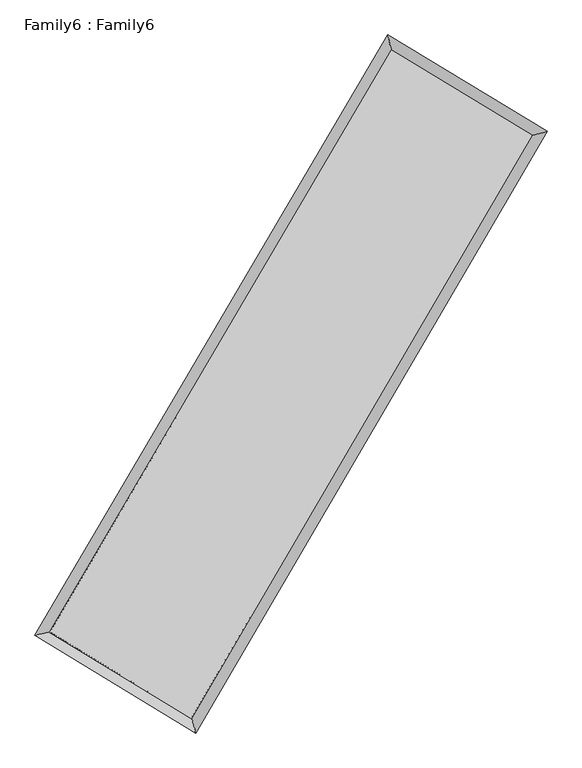
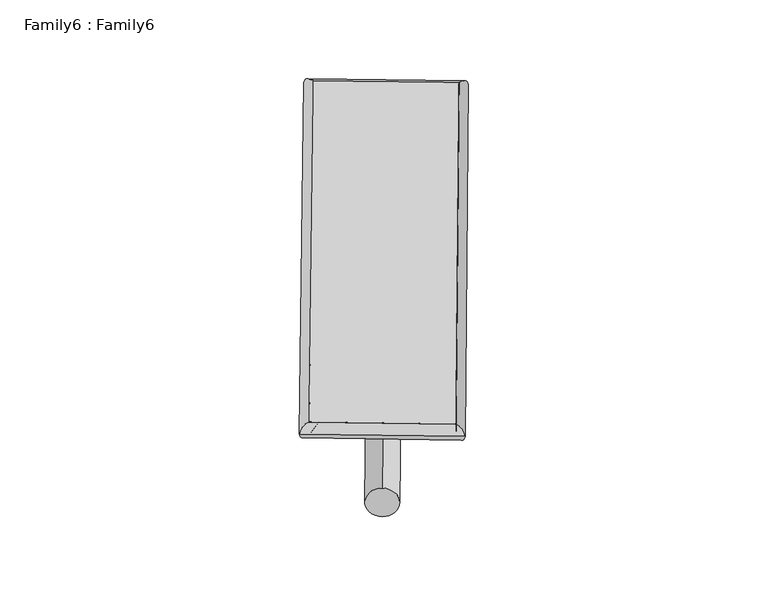
"""IFC4 building model written with IfcOpenShell, lengths in millimetres: plate geometry, Family6 : Family6."""

from ifc_helpers import new_model, si_unit, point, frame, origin, origin_2d, place, context, project, spatial, circle_curve, ellipse_curve, trimmed, segment, composite_curve, outline, extrude, source, transform, mapped, element, save
from ifc_brep_helpers import plane_surface, cylinder_surface, spline_surface, advanced_brep


def family6_family6_7d916020(model_context):
    return source(origin(), model_context, "Body", "SolidModel", [
        extrude(outline(composite_curve([segment(trimmed(circle_curve(origin_2d(), 76.2), [point((-75.4341514, -10.7763074))], [point((75.4341514, 10.7763074))], False, "CARTESIAN"), True, "CONTINUOUS"), segment(trimmed(circle_curve(origin_2d(), 76.2), [point((75.4341514, 10.7763074))], [point((-75.4341514, -10.7763074))], False, "CARTESIAN"), True, "CONTINUOUS")], self_intersect=False)), frame((9144.0, 9144.0, 0.0), z_axis=(0.6708753405550228, 0.6889625790485668, 0.27432980535466744), x_axis=(-0.6810005045761751, 0.7188056625995868, -0.1398453867017576)), (0.0, 0.0, 1.0), 5555.4087835),
        extrude(outline(composite_curve([segment(trimmed(circle_curve(origin_2d(), 76.2), [point((-53.8815367, 53.8815367))], [point((53.8815367, -53.8815367))], False, "CARTESIAN"), True, "CONTINUOUS"), segment(trimmed(circle_curve(origin_2d(), 76.2), [point((53.8815367, -53.8815367))], [point((-53.8815367, 53.8815367))], False, "CARTESIAN"), True, "CONTINUOUS")], self_intersect=False)), frame((9144.0, 9144.0, 0.0), z_axis=(-0.6725187191706428, -0.6873835434512942, 0.27426708981833925), x_axis=(0.6422873236493496, -0.35798328462778856, 0.6777277932964351)), (0.0, 0.0, 1.0), 5556.8859739),
        extrude(outline(composite_curve([segment(trimmed(circle_curve(origin_2d(), 76.2), [point((-53.8815367, -53.8815367))], [point((53.8815367, 53.8815367))], False, "CARTESIAN"), True, "CONTINUOUS"), segment(trimmed(circle_curve(origin_2d(), 76.2), [point((53.8815367, 53.8815367))], [point((-53.8815367, -53.8815367))], False, "CARTESIAN"), True, "CONTINUOUS")], self_intersect=False)), frame((9144.0, 9144.0, 0.0), z_axis=(0.27450014872524914, 0.9222920988727092, 0.2720789457249297), x_axis=(-0.839707486027649, 0.3677839577680499, -0.3995325998183314)), (0.0, 0.0, 1.0), 5589.8758795),
        extrude(outline(composite_curve([segment(trimmed(circle_curve(origin_2d(), 76.2), [point((-75.4341514, 10.7763074))], [point((75.4341514, -10.7763074))], False, "CARTESIAN"), True, "CONTINUOUS"), segment(trimmed(circle_curve(origin_2d(), 76.2), [point((75.4341514, -10.7763074))], [point((-75.4341514, 10.7763074))], False, "CARTESIAN"), True, "CONTINUOUS")], self_intersect=False)), frame((9144.0, 9144.0, 0.0), z_axis=(-0.2725049658316514, -0.9229495958978102, 0.2718549006899806), x_axis=(0.8792963553033419, -0.1241817683237834, 0.45980083510824266)), (0.0, 0.0, 1.0), 5594.9531771),
        advanced_brep(
        [(5199.4380571, 5272.0023362, 1523.8240617), (5199.4377308, 5272.0019054, 1524.3746471), (5614.3422673, 5376.5737212, 1524.3178273), (10731.5968077, 14089.1148397, 1521.2275847), (10625.2467128, 14509.881875, 1520.5474874), (5614.3425937, 5376.574152, 1523.767242), (12663.7441412, 12918.8193912, 1523.9828942), (13078.2293779, 13024.1181351, 1524.0455262), (7565.9556326, 4190.8986762, 1521.0719756), (7672.7393187, 3769.381776, 1520.9589051)],
        [
            (0, 1, ellipse_curve(frame((5406.8901622, 5324.2880287, 1524.0709445), z_axis=(-0.2443952396902135, 0.9696755076240651, 0.000613783980309843), x_axis=(-0.9696749879663625, -0.24439577888942554, 0.0010587603439279102)), 213.9402908, 152.4)),
            (1, 2, ellipse_curve(frame((5406.8901622, 5324.2880287, 1524.0709445), z_axis=(-0.2443952396902135, 0.9696755076240651, 0.000613783980309843), x_axis=(-0.9696749879663625, -0.24439577888942554, 0.0010587603439279102)), 213.9402908, 152.4)),
            (2, 3),
            (3, 4, ellipse_curve(frame((10678.4217603, 14299.4983573, 1520.887536), z_axis=(-0.9695107970406902, -0.24504773225729387, -0.0006506435914354459), x_axis=(0.2450469675310007, -0.9695106165254579, 0.0010715168161912671)), 216.9998564, 152.4)),
            (4, 0),
            (2, 5, ellipse_curve(frame((5406.8901622, 5324.2880287, 1524.0709445), z_axis=(-0.2443952396902135, 0.9696755076240651, 0.000613783980309843), x_axis=(-0.9696749879663625, -0.24439577888942554, 0.0010587603439279102)), 213.9402908, 152.4)),
            (5, 0, ellipse_curve(frame((5406.8901622, 5324.2880287, 1524.0709445), z_axis=(-0.2443952396902135, 0.9696755076240651, 0.000613783980309843), x_axis=(-0.9696749879663625, -0.24439577888942554, 0.0010587603439279102)), 213.9402908, 152.4)),
            (4, 3, ellipse_curve(frame((10678.4217603, 14299.4983573, 1520.887536), z_axis=(-0.9695107970406902, -0.24504773225729387, -0.0006506435914354459), x_axis=(0.2450469675310007, -0.9695106165254579, 0.0010715168161912671)), 216.9998564, 152.4)),
            (3, 6),
            (6, 7, ellipse_curve(frame((12870.9867595, 12971.4687631, 1524.0142102), z_axis=(-0.24622542588143712, 0.9692123670262688, -0.0006536458077832555), x_axis=(-0.9692118413488923, -0.2462260171498239, -0.0010747407241175778)), 213.8258599, 152.4)),
            (7, 4),
            (7, 6, ellipse_curve(frame((12870.9867595, 12971.4687631, 1524.0142102), z_axis=(-0.24622542588143712, 0.9692123670262688, -0.0006536458077832555), x_axis=(-0.9692118413488923, -0.2462260171498239, -0.0010747407241175778)), 213.8258599, 152.4)),
            (6, 8),
            (8, 9, ellipse_curve(frame((7619.3474756, 3980.1402261, 1521.0154403), z_axis=(0.9693775262640619, 0.24557444178936028, -0.0006364856730199161), x_axis=(-0.24557372631605207, 0.9693773699414935, 0.0010293631826492513)), 217.416295, 152.4)),
            (9, 7),
            (9, 8, ellipse_curve(frame((7619.3474756, 3980.1402261, 1521.0154403), z_axis=(0.9693775262640619, 0.24557444178936028, -0.0006364856730199161), x_axis=(-0.24557372631605207, 0.9693773699414935, 0.0010293631826492513)), 217.416295, 152.4)),
            (8, 5),
            (1, 9),
        ],
        [
            cylinder_surface(frame((5406.8901622, 5324.2880287, 1524.0709445), z_axis=(-0.506448712857833, -0.8622700317811944, 0.0003058377062499059), x_axis=(-0.8622687782330011, 0.5064472951359321, -0.0019212844833418137)), 152.4),
            cylinder_surface(frame((10678.4217603, 14299.4983573, 1520.887536), z_axis=(-0.8553350957299615, 0.5180737266572873, -0.0012197376965158372), x_axis=(0.5180748936208476, 0.8553346799448045, -0.0009949288751200697)), 152.4),
            cylinder_surface(frame((12870.9867595, 12971.4687631, 1524.0142102), z_axis=(0.5043508422411026, 0.8634987811173079, 0.0002879923860157004), x_axis=(0.863498825624777, -0.5043508422411026, -7.794435065793552e-05)), 152.4),
            cylinder_surface(frame((7619.3474756, 3980.1402261, 1521.0154403), z_axis=(0.8546377742739408, -0.5192233447091951, -0.0011802936420006252), x_axis=(-0.5192226903709678, -0.854638583849314, 0.0008299397407955413)), 152.4),
        ],
        [
            (0, [[1, 2, 3, 4, 5]]),
            (0, [[6, 7, -5, 8, -3]]),
            (1, [[-4, 9, 10, 11]]),
            (1, [[-8, -11, 12, -9]]),
            (2, [[-10, 13, 14, 15]]),
            (2, [[-12, -15, 16, -13]]),
            (3, [[-14, 17, -6, -2, 18]]),
            (3, [[-16, -18, -1, -7, -17]]),
        ],
    ),
        extrude(outline(composite_curve([segment(trimmed(circle_curve(origin_2d(), 304.8), [point((1e-07, -304.8))], [point((0.0, 304.8))], False, "CARTESIAN"), True, "CONTINUOUS"), segment(trimmed(circle_curve(origin_2d(), 304.8), [point((0.0, 304.8))], [point((1e-07, -304.8))], False, "CARTESIAN"), True, "CONTINUOUS")], self_intersect=False)), frame((6501.5093103, 4636.5907432, -3.67e-05), z_axis=(0.5057503094432194, 0.8626799084817542, 7.022926612163839e-09), x_axis=(-0.8626799084817542, 0.5057503094432194, 1.9068479190254147e-09)), (0.0, 0.0, 1.0), 10449.7837783),
        advanced_brep(
        [(5406.8901622, 5324.2880287, 1524.0709445), (7619.3474756, 3980.1402261, 1521.0154403), (7619.3471314, 3980.1419852, 1673.4154403), (5406.889818, 5324.2897878, 1676.4709445), (12870.9867595, 12971.4687631, 1524.0142102), (12870.9864153, 12971.4705222, 1676.4142102), (10678.4217603, 14299.4983573, 1520.887536), (10678.421416, 14299.5001164, 1673.287536)],
        [
            (0, 1),
            (1, 2),
            (2, 3),
            (3, 0),
            (1, 4),
            (4, 5),
            (5, 2),
            (4, 6),
            (6, 7),
            (7, 5),
            (6, 0),
            (3, 7),
        ],
        [
            plane_surface(frame((6513.1188189, 4652.2141274, 1522.5431924), z_axis=(-0.5192236975854606, -0.8546383748639732, 8.691887103680785e-06), x_axis=(0.8546377742739407, -0.5192233447091948, -0.0011802936420006235))),
            plane_surface(frame((10245.1671176, 8475.8044946, 1522.5148253), z_axis=(0.863498815771474, -0.5043508650739659, 7.772051653608358e-06), x_axis=(0.5043508422411026, 0.8634987811173078, 0.0002879923860157019))),
            plane_surface(frame((11774.7042599, 13635.4835602, 1522.4508731), z_axis=(0.518074121102027, 0.8553357264657125, -8.702533091686435e-06), x_axis=(-0.8553350957299611, 0.5180737266572876, -0.001219737696515836))),
            plane_surface(frame((8042.6559613, 9811.893193, 1522.4792403), z_axis=(-0.8622700732891008, 0.5064487344729676, -7.793490944161462e-06), x_axis=(-0.5064487128578332, -0.8622700317811941, 0.00030583770624990615))),
            spline_surface(1, 1, [[(7619.3471314, 3980.1419852, 1673.4154403), (5406.889818, 5324.2897878, 1676.4709445)], [(12870.9864153, 12971.4705222, 1676.4142102), (10678.421416, 14299.5001164, 1673.287536)]], [2, 2], [2, 2], [0.0, 1.0], [0.0, 1.0]),
            spline_surface(1, 1, [[(10678.4217603, 14299.4983573, 1520.887536), (5406.8901622, 5324.2880287, 1524.0709445)], [(12870.9867595, 12971.4687631, 1524.0142102), (7619.3474756, 3980.1402261, 1521.0154403)]], [2, 2], [2, 2], [0.0, 1.0], [0.0, 1.0]),
        ],
        [
            (0, [[1, 2, 3, 4]]),
            (1, [[5, 6, 7, -2]]),
            (2, [[8, 9, 10, -6]]),
            (3, [[11, -4, 12, -9]]),
            (4, [[-3, -7, -10, -12]]),
            (5, [[-11, -8, -5, -1]]),
        ],
    ),
    ])


if __name__ == "__main__":
    model = new_model("IFC4")
    model_context = context("Model", 3, world=origin())
    ifc_project = project(units=[si_unit("LENGTHUNIT", "METRE", prefix="MILLI")], contexts=[model_context])
    site = spatial("IfcSite", under=ifc_project)
    building = spatial("IfcBuilding", under=site)
    placement = place(None, origin())
    family6_family6_shape = family6_family6_7d916020(model_context)
    element("IfcPlate", 1, ObjectType="Family6 : Family6", at=placement, inside=building, context=model_context, shape_type="MappedRepresentation", body=[
        mapped(family6_family6_shape, transform((0.0, 0.0, 0.0), x_axis=(1.0, 0.0, 0.0), y_axis=(0.0, 1.0, 0.0), z_axis=(0.0, 0.0, 1.0))),
    ])
    save(model, "model.ifc")
